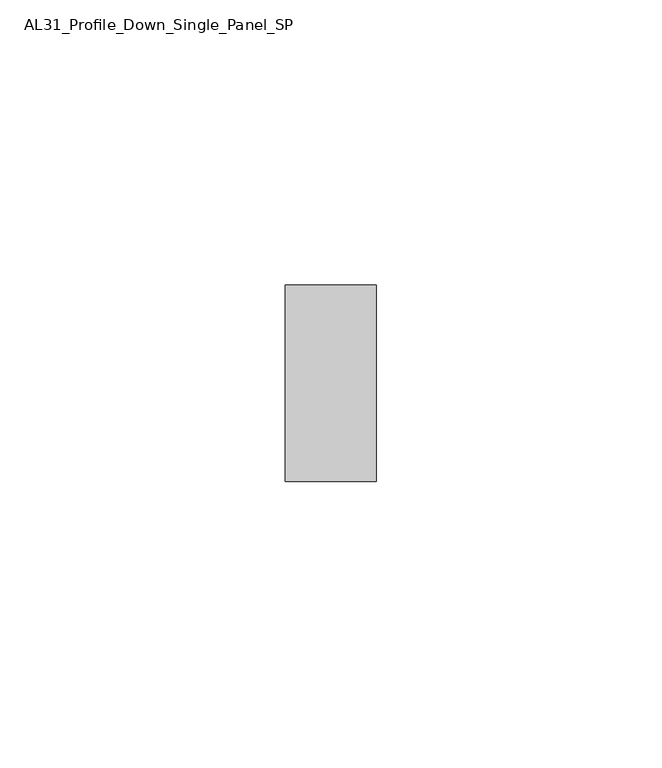
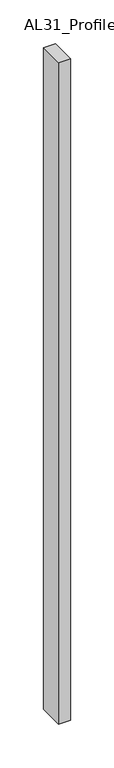
"""IFC4 building model written with IfcOpenShell, lengths in millimetres: member geometry, AL31_Profile_Down_Single_Panel_SP."""

from ifc_helpers import new_model, si_unit, frame, origin, place, context, project, spatial, polyline, outline, extrude, source, transform, mapped, element, save


def al31_profile_down_single_panel_sp_c4e178a2(model_context):
    return source(origin(), model_context, "Body", "SweptSolid", [
        extrude(outline(polyline([(0.0, -17.25), (-16.0, -17.25), (-16.0, 17.25), (0.0, 17.25), (0.0, -17.25)])), frame((0.0, 0.0, -925.3708917), z_axis=(0.0, 0.0, 1.0), x_axis=(1.0, 0.0, 0.0)), (0.0, 0.0, 1.0), 925.3708917),
    ])


if __name__ == "__main__":
    model = new_model("IFC4")
    model_context = context("Model", 3, world=origin())
    ifc_project = project(units=[si_unit("LENGTHUNIT", "METRE", prefix="MILLI")], contexts=[model_context])
    site = spatial("IfcSite", under=ifc_project)
    building = spatial("IfcBuilding", under=site)
    placement = place(None, origin())
    al31_profile_down_single_panel_sp_shape = al31_profile_down_single_panel_sp_c4e178a2(model_context)
    element("IfcMember", 1, ObjectType="AL31_Profile_Down_Single_Panel_SP", at=placement, inside=building, context=model_context, shape_type="MappedRepresentation", body=[
        mapped(al31_profile_down_single_panel_sp_shape, transform((0.0, 0.0, 0.0), x_axis=(1.0, 0.0, 0.0), y_axis=(0.0, 1.0, 0.0), z_axis=(0.0, 0.0, 1.0))),
    ])
    save(model, "model.ifc")
